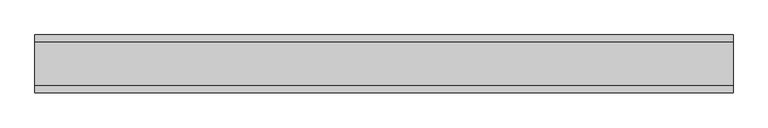
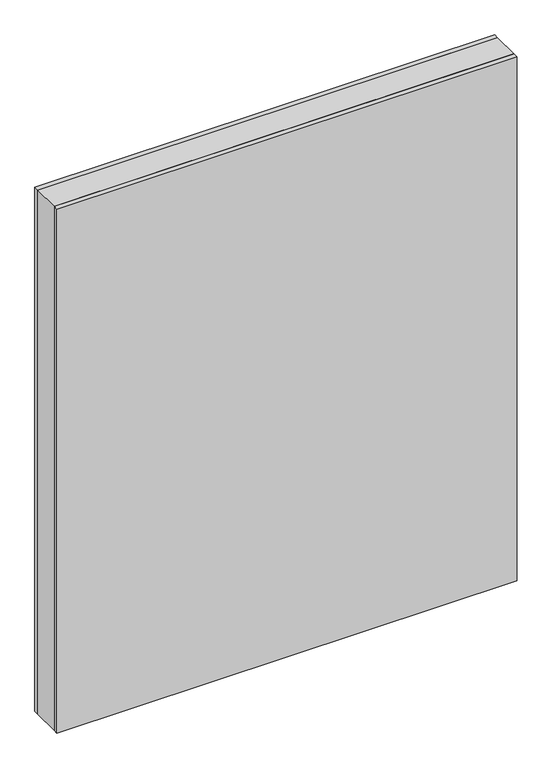
"""IFC4 building model written with IfcOpenShell, lengths in millimetres: plate geometry."""

from ifc_helpers import new_model, si_unit, origin, origin_with_axes, place, context, project, spatial, polyline, outline, extrude, source, transform, mapped, element, save


def plate_93b7d574(model_context):
    return source(origin(), model_context, "Body", "SweptSolid", [
        extrude(outline(polyline([(602.4375001, 37.0), (602.4375001, -37.0), (-602.4375001, -37.0), (-602.4375001, 37.0), (602.4375001, 37.0)])), origin_with_axes(), (0.0, 0.0, 1.0), 1450.25),
        extrude(outline(polyline([(602.4375001, 50.0), (602.4375001, 37.0), (-602.4375001, 37.0), (-602.4375001, 50.0), (602.4375001, 50.0)])), origin_with_axes(), (0.0, 0.0, 1.0), 1450.25),
        extrude(outline(polyline([(-602.4375001, -50.0), (-602.4375001, -37.0), (602.4375001, -37.0), (602.4375001, -50.0), (-602.4375001, -50.0)])), origin_with_axes(), (0.0, 0.0, 1.0), 1450.25),
    ])


if __name__ == "__main__":
    model = new_model("IFC4")
    model_context = context("Model", 3, world=origin())
    ifc_project = project(units=[si_unit("LENGTHUNIT", "METRE", prefix="MILLI")], contexts=[model_context])
    site = spatial("IfcSite", under=ifc_project)
    building = spatial("IfcBuilding", under=site)
    placement = place(None, origin())
    plate_shape = plate_93b7d574(model_context)
    element("IfcPlate", 1, at=placement, inside=building, context=model_context, shape_type="MappedRepresentation", body=[
        mapped(plate_shape, transform((0.0, 0.0, 0.0), x_axis=(1.0, 0.0, 0.0), y_axis=(0.0, 1.0, 0.0), z_axis=(0.0, 0.0, 1.0))),
    ])
    save(model, "model.ifc")
